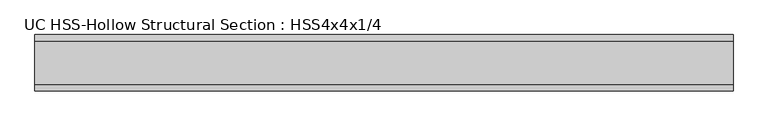
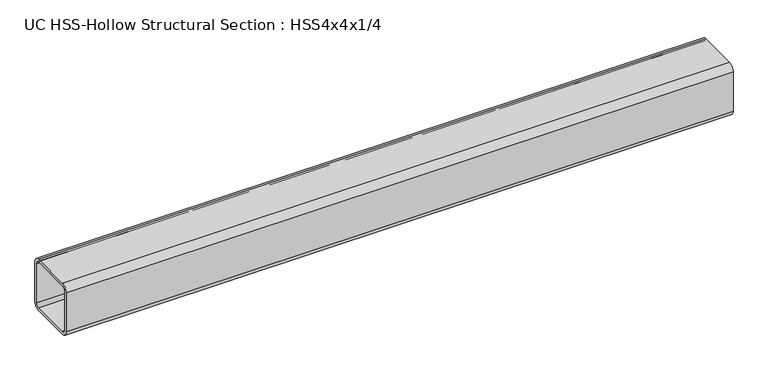
"""IFC4 building model written with IfcOpenShell, lengths in millimetres: beam geometry, UC HSS-Hollow Structural Section : HSS4x4x1/4."""

from ifc_helpers import new_model, si_unit, point, frame, frame_2d, origin, place, context, project, spatial, polyline, circle_curve, trimmed, segment, composite_curve, outline, extrude, source, transform, mapped, element, save


def uc_hss_hollow_structural_section_hss4x4x1_4_ce996bba(model_context):
    return source(origin(), model_context, "Body", "SweptSolid", [
        extrude(outline(composite_curve([segment(polyline([(50.8, 38.9636), (50.8, -38.9636)]), True, "CONTINUOUS"), segment(trimmed(circle_curve(frame_2d((38.9636, -38.9636)), 11.8364), [point((50.8, -38.9636))], [point((38.9636, -50.8))], False, "CARTESIAN"), True, "CONTINUOUS"), segment(polyline([(38.9636, -50.8), (-38.9636, -50.8)]), True, "CONTINUOUS"), segment(trimmed(circle_curve(frame_2d((-38.9636, -38.9636)), 11.8364), [point((-38.9636, -50.8))], [point((-50.8, -38.9636))], False, "CARTESIAN"), True, "CONTINUOUS"), segment(polyline([(-50.8, -38.9636), (-50.8, 38.9636)]), True, "CONTINUOUS"), segment(trimmed(circle_curve(frame_2d((-38.9636, 38.9636)), 11.8364), [point((-50.8, 38.9636))], [point((-38.9636, 50.8))], False, "CARTESIAN"), True, "CONTINUOUS"), segment(polyline([(-38.9636, 50.8), (38.9636, 50.8)]), True, "CONTINUOUS"), segment(trimmed(circle_curve(frame_2d((38.9636, 38.9636)), 11.8364), [point((38.9636, 50.8))], [point((50.8, 38.9636))], False, "CARTESIAN"), True, "CONTINUOUS")], self_intersect=False), holes=[composite_curve([segment(trimmed(circle_curve(frame_2d((-38.9636, 38.9636)), 5.9182), [point((-38.9636, 44.8818))], [point((-44.8818, 38.9636))], True, "CARTESIAN"), True, "CONTINUOUS"), segment(polyline([(-44.8818, 38.9636), (-44.8818, -38.9636)]), True, "CONTINUOUS"), segment(trimmed(circle_curve(frame_2d((-38.9636, -38.9636)), 5.9182), [point((-44.8818, -38.9636))], [point((-38.9636, -44.8818))], True, "CARTESIAN"), True, "CONTINUOUS"), segment(polyline([(-38.9636, -44.8818), (38.9636, -44.8818)]), True, "CONTINUOUS"), segment(trimmed(circle_curve(frame_2d((38.9636, -38.9636)), 5.9182), [point((38.9636, -44.8818))], [point((44.8818, -38.9636))], True, "CARTESIAN"), True, "CONTINUOUS"), segment(polyline([(44.8818, -38.9636), (44.8818, 38.9636)]), True, "CONTINUOUS"), segment(trimmed(circle_curve(frame_2d((38.9636, 38.9636)), 5.9182), [point((44.8818, 38.9636))], [point((38.9636, 44.8818))], True, "CARTESIAN"), True, "CONTINUOUS"), segment(polyline([(38.9636, 44.8818), (-38.9636, 44.8818)]), True, "CONTINUOUS")], self_intersect=False)]), frame((-518.0709173, 0.0, 0.0), z_axis=(1.0, 0.0, 0.0), x_axis=(0.0, 1.0, 0.0)), (0.0, 0.0, 1.0), 1254.1708942),
    ])


if __name__ == "__main__":
    model = new_model("IFC4")
    model_context = context("Model", 3, world=origin())
    ifc_project = project(units=[si_unit("LENGTHUNIT", "METRE", prefix="MILLI")], contexts=[model_context])
    site = spatial("IfcSite", under=ifc_project)
    building = spatial("IfcBuilding", under=site)
    placement = place(None, origin())
    uc_hss_hollow_structural_section_hss4x4x1_4_shape = uc_hss_hollow_structural_section_hss4x4x1_4_ce996bba(model_context)
    element("IfcBeam", 1, ObjectType="UC HSS-Hollow Structural Section : HSS4x4x1/4", at=placement, inside=building, context=model_context, shape_type="MappedRepresentation", body=[
        mapped(uc_hss_hollow_structural_section_hss4x4x1_4_shape, transform((0.0, 0.0, 0.0), x_axis=(1.0, 0.0, 0.0), y_axis=(0.0, 1.0, 0.0), z_axis=(0.0, 0.0, 1.0))),
    ])
    save(model, "model.ifc")
